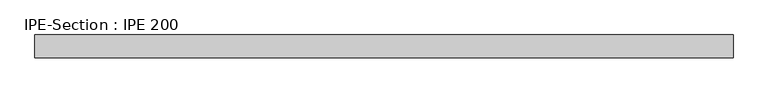
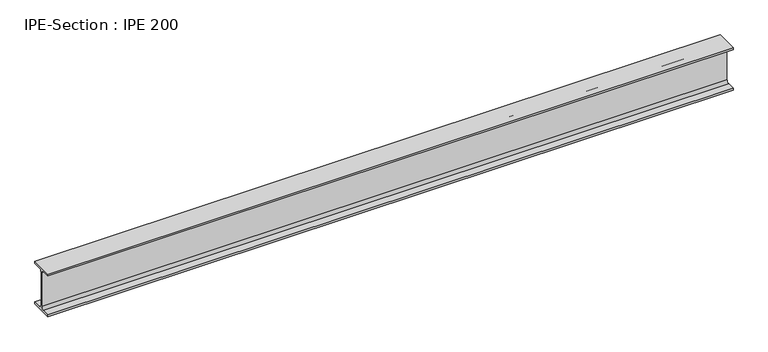
"""IFC4 building model written with IfcOpenShell, lengths in millimetres: beam geometry, IPE-Section : IPE 200."""

from ifc_helpers import new_model, si_unit, point, frame, frame_2d, origin, place, context, project, spatial, polyline, circle_curve, trimmed, segment, composite_curve, outline, extrude, source, transform, mapped, element, save


def ipe_section_ipe_200_9f6e099e(model_context):
    return source(origin(), model_context, "Body", "SweptSolid", [
        extrude(outline(composite_curve([segment(polyline([(50.0, -91.5), (50.0, -100.0), (-50.0, -100.0), (-50.0, -91.5), (-14.8, -91.5)]), True, "CONTINUOUS"), segment(trimmed(circle_curve(frame_2d((-14.8, -79.5)), 12.0), [point((-14.8, -91.5))], [point((-2.8, -79.5))], True, "CARTESIAN"), True, "CONTINUOUS"), segment(polyline([(-2.8, -79.5), (-2.8, 79.5)]), True, "CONTINUOUS"), segment(trimmed(circle_curve(frame_2d((-14.8, 79.5)), 12.0), [point((-2.8, 79.5))], [point((-14.8, 91.5))], True, "CARTESIAN"), True, "CONTINUOUS"), segment(polyline([(-14.8, 91.5), (-50.0, 91.5), (-50.0, 100.0), (50.0, 100.0), (50.0, 91.5), (14.8, 91.5)]), True, "CONTINUOUS"), segment(trimmed(circle_curve(frame_2d((14.8, 79.5)), 12.0), [point((14.8, 91.5))], [point((2.8, 79.5))], True, "CARTESIAN"), True, "CONTINUOUS"), segment(polyline([(2.8, 79.5), (2.8, -79.5)]), True, "CONTINUOUS"), segment(trimmed(circle_curve(frame_2d((14.8, -79.5)), 12.0), [point((2.8, -79.5))], [point((14.8, -91.5))], True, "CARTESIAN"), True, "CONTINUOUS"), segment(polyline([(14.8, -91.5), (50.0, -91.5)]), True, "CONTINUOUS")], self_intersect=False)), frame((-1578.75, 0.0, 0.0), z_axis=(1.0, 0.0, 0.0), x_axis=(0.0, 1.0, 0.0)), (0.0, 0.0, 1.0), 3054.7998984),
    ])


if __name__ == "__main__":
    model = new_model("IFC4")
    model_context = context("Model", 3, world=origin())
    ifc_project = project(units=[si_unit("LENGTHUNIT", "METRE", prefix="MILLI")], contexts=[model_context])
    site = spatial("IfcSite", under=ifc_project)
    building = spatial("IfcBuilding", under=site)
    placement = place(None, origin())
    ipe_section_ipe_200_shape = ipe_section_ipe_200_9f6e099e(model_context)
    element("IfcBeam", 1, ObjectType="IPE-Section : IPE 200", at=placement, inside=building, context=model_context, shape_type="MappedRepresentation", body=[
        mapped(ipe_section_ipe_200_shape, transform((0.0, 0.0, 0.0), x_axis=(1.0, 0.0, 0.0), y_axis=(0.0, 1.0, 0.0), z_axis=(0.0, 0.0, 1.0))),
    ])
    save(model, "model.ifc")
